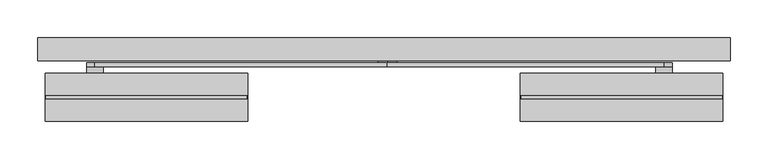
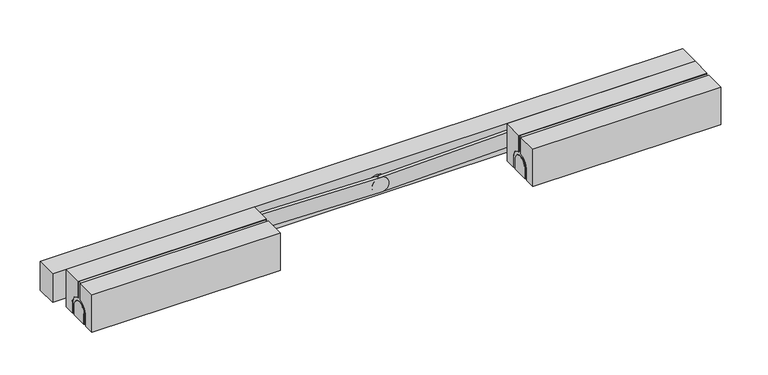
"""IFC4 building model written with IfcOpenShell, lengths in millimetres: proxy geometry."""

from ifc_helpers import new_model, si_unit, point, frame, frame_2d, origin, origin_with_axes, place, context, project, spatial, polyline, circle_curve, trimmed, segment, composite_curve, outline, extrude, source, transform, mapped, element, save
from ifc_brep_helpers import plane_surface, cylinder_surface, revolved_surface, advanced_brep


def generic_models_ac12930d(model_context):
    return source(origin(), model_context, "Body", "SolidModel", [
        advanced_brep(
        [(-182.5, -46.0, 56.0), (-182.5, -51.0, 56.0), (-182.5, -51.0, 31.8151717), (-182.5, -65.5, 15.0), (-182.5, -65.5, 0.0), (-182.5, -60.5, 0.0), (-182.5, -60.5, 15.0), (-182.5, -36.5, 15.0), (-182.5, -36.5, 0.0), (-182.5, -31.5, 0.0), (-182.5, -31.5, 15.0), (-182.5, -46.0, 31.8151717), (-450.5, -51.0, 56.0), (-450.5, -46.0, 56.0), (-450.5, -46.0, 31.8151717), (-450.5, -31.5, 15.0), (-450.5, -31.5, 0.0), (-450.5, -36.5, 0.0), (-450.5, -36.5, 15.0), (-450.5, -60.5, 15.0), (-450.5, -60.5, 0.0), (-450.5, -65.5, 0.0), (-450.5, -65.5, 15.0), (-450.5, -51.0, 31.8151717), (-181.5, -46.0, 57.0), (-181.5, -16.5, 57.0), (-451.5, -16.5, 57.0), (-451.5, -46.0, 57.0), (-181.5, -46.0, 31.8151717), (-451.5, -46.0, 31.8151717), (-181.5, -16.5, 0.0), (-181.5, -31.5, 0.0), (-181.5, -36.5, 0.0), (-181.5, -60.5, 0.0), (-181.5, -65.5, 0.0), (-181.5, -80.5, 0.0), (-451.5, -80.5, 0.0), (-451.5, -65.5, 0.0), (-451.5, -60.5, 0.0), (-451.5, -36.5, 0.0), (-451.5, -31.5, 0.0), (-451.5, -16.5, 0.0), (-181.5, -80.5, 57.0), (-181.5, -51.0, 57.0), (-451.5, -51.0, 57.0), (-451.5, -80.5, 57.0), (-451.5, -51.0, 31.8151717), (-181.5, -51.0, 31.8151717), (-181.5, -31.5, 15.0), (-181.5, -65.5, 15.0), (-181.5, -36.5, 15.0), (-181.5, -60.5, 15.0), (-451.5, -31.5, 15.0), (-451.5, -60.5, 15.0), (-451.5, -36.5, 15.0), (-451.5, -65.5, 15.0)],
        [
            (0, 1),
            (1, 2),
            (2, 3, circle_curve(frame((-182.5, -48.5, 15.0), z_axis=(1.0, 0.0, 0.0), x_axis=(0.0, 1.0, 0.0)), 17.0)),
            (3, 4),
            (4, 5),
            (5, 6),
            (6, 7, circle_curve(frame((-182.5, -48.5, 15.0), z_axis=(-1.0, 0.0, 0.0), x_axis=(0.0, 1.0, 0.0)), 12.0)),
            (7, 8),
            (8, 9),
            (9, 10),
            (10, 11, circle_curve(frame((-182.5, -48.5, 15.0), z_axis=(1.0, 0.0, 0.0), x_axis=(0.0, 1.0, 0.0)), 17.0)),
            (11, 0),
            (12, 13),
            (13, 14),
            (14, 15, circle_curve(frame((-450.5, -48.5, 15.0), z_axis=(-1.0, 0.0, 0.0), x_axis=(0.0, 1.0, 0.0)), 17.0)),
            (15, 16),
            (16, 17),
            (17, 18),
            (18, 19, circle_curve(frame((-450.5, -48.5, 15.0), z_axis=(1.0, 0.0, 0.0), x_axis=(0.0, 1.0, 0.0)), 12.0)),
            (19, 20),
            (20, 21),
            (21, 22),
            (22, 23, circle_curve(frame((-450.5, -48.5, 15.0), z_axis=(-1.0, 0.0, 0.0), x_axis=(0.0, 1.0, 0.0)), 17.0)),
            (23, 12),
            (24, 25),
            (25, 26),
            (26, 27),
            (27, 24),
            (13, 0),
            (11, 28),
            (28, 24),
            (27, 29),
            (29, 14),
            (30, 31),
            (31, 9),
            (8, 32),
            (32, 33),
            (33, 5),
            (4, 34),
            (34, 35),
            (35, 36),
            (36, 37),
            (37, 21),
            (20, 38),
            (38, 39),
            (39, 17),
            (16, 40),
            (40, 41),
            (41, 30),
            (25, 30),
            (41, 26),
            (42, 43),
            (43, 44),
            (44, 45),
            (45, 42),
            (35, 42),
            (45, 36),
            (1, 12),
            (23, 46),
            (46, 44),
            (43, 47),
            (47, 2),
            (28, 48, circle_curve(frame((-181.5, -48.5, 15.0), z_axis=(-1.0, 0.0, 0.0), x_axis=(0.0, 1.0, 0.0)), 17.0)),
            (48, 31),
            (34, 49),
            (49, 47, circle_curve(frame((-181.5, -48.5, 15.0), z_axis=(-1.0, 0.0, 0.0), x_axis=(0.0, 1.0, 0.0)), 17.0)),
            (32, 50),
            (50, 51, circle_curve(frame((-181.5, -48.5, 15.0), z_axis=(1.0, 0.0, 0.0), x_axis=(0.0, 1.0, 0.0)), 12.0)),
            (51, 33),
            (10, 48),
            (3, 49),
            (7, 50),
            (6, 51),
            (40, 52),
            (52, 29, circle_curve(frame((-451.5, -48.5, 15.0), z_axis=(1.0, 0.0, 0.0), x_axis=(0.0, 1.0, 0.0)), 17.0)),
            (38, 53),
            (53, 54, circle_curve(frame((-451.5, -48.5, 15.0), z_axis=(-1.0, 0.0, 0.0), x_axis=(0.0, 1.0, 0.0)), 12.0)),
            (54, 39),
            (46, 55, circle_curve(frame((-451.5, -48.5, 15.0), z_axis=(1.0, 0.0, 0.0), x_axis=(0.0, 1.0, 0.0)), 17.0)),
            (55, 37),
            (52, 15),
            (55, 22),
            (54, 18),
            (53, 19),
        ],
        [
            plane_surface(frame((-182.5, -46.0, 57.0), z_axis=(1.0, 0.0, 0.0), x_axis=(0.0, -1.0, 0.0))),
            plane_surface(frame((-450.5, -46.0, 57.0), z_axis=(-1.0, 0.0, 0.0), x_axis=(0.0, 1.0, 0.0))),
            plane_surface(frame((-182.5, -16.5, 57.0), z_axis=(0.0, 0.0, 1.0), x_axis=(-1.0, 0.0, 0.0))),
            plane_surface(frame((-182.5, -46.0, 57.0), z_axis=(0.0, -1.0, 0.0), x_axis=(-1.0, 0.0, 0.0))),
            plane_surface(frame((-182.5, -80.5, 0.0), z_axis=(0.0, 0.0, -1.0), x_axis=(-1.0, 0.0, 0.0))),
            plane_surface(frame((-182.5, -16.5, 0.0), z_axis=(0.0, 1.0, 0.0), x_axis=(-1.0, 0.0, 0.0))),
            plane_surface(frame((-182.5, -51.0, 57.0), z_axis=(0.0, 0.0, 1.0), x_axis=(-1.0, 0.0, 0.0))),
            plane_surface(frame((-182.5, -80.5, 57.0), z_axis=(0.0, -1.0, 0.0), x_axis=(-1.0, 0.0, 0.0))),
            plane_surface(frame((-182.5, -51.0, 56.0), z_axis=(0.0, 1.0, 0.0), x_axis=(-1.0, 0.0, 0.0))),
            plane_surface(frame((-182.5, -46.0, 56.0), z_axis=(0.0, 0.0, 1.0), x_axis=(-1.0, 0.0, 0.0))),
            plane_surface(frame((-181.5, -16.5, 57.0), z_axis=(1.0, 0.0, 0.0), x_axis=(0.0, -1.0, 0.0))),
            revolved_surface(polyline([(-181.5, -31.5, 15.0), (-182.5, -31.5, 15.0)]), (-181.5, -48.5, 15.0), (1.0, 0.0, 0.0)),
            plane_surface(frame((-182.5, -31.5, 0.0), z_axis=(0.0, -1.0, 0.0), x_axis=(1.0, 0.0, 0.0))),
            plane_surface(frame((-182.5, -65.5, 15.0), z_axis=(0.0, 1.0, 0.0), x_axis=(1.0, 0.0, 0.0))),
            revolved_surface(polyline([(-181.5, -31.5, 15.0), (-182.5, -31.5, 15.0)]), (500.0, -48.5, 15.0), (1.0, 0.0, 0.0)),
            plane_surface(frame((-182.5, -36.5, 15.0), z_axis=(0.0, 1.0, 0.0), x_axis=(1.0, 0.0, 0.0))),
            cylinder_surface(frame((500.0, -48.5, 15.0), z_axis=(-1.0, 0.0, 0.0), x_axis=(0.0, 1.0, 0.0)), 12.0),
            plane_surface(frame((-182.5, -60.5, 0.0), z_axis=(0.0, -1.0, 0.0), x_axis=(1.0, 0.0, 0.0))),
            plane_surface(frame((-451.5, -16.5, 57.0), z_axis=(-1.0, 0.0, 0.0), x_axis=(0.0, 1.0, 0.0))),
            revolved_surface(polyline([(-450.5, -31.5, 15.0), (-451.5, -31.5, 15.0)]), (-450.5, -48.5, 15.0), (1.0, 0.0, 0.0)),
            plane_surface(frame((-451.5, -31.5, 0.0), z_axis=(0.0, -1.0, 0.0), x_axis=(1.0, 0.0, 0.0))),
            plane_surface(frame((-451.5, -65.5, 15.0), z_axis=(0.0, 1.0, 0.0), x_axis=(1.0, 0.0, 0.0))),
            revolved_surface(polyline([(-450.5, -31.5, 15.0), (-451.5, -31.5, 15.0)]), (0.0, -48.5, 15.0), (1.0, 0.0, 0.0)),
            plane_surface(frame((-451.5, -36.5, 15.0), z_axis=(0.0, 1.0, 0.0), x_axis=(1.0, 0.0, 0.0))),
            cylinder_surface(frame((0.0, -48.5, 15.0), z_axis=(-1.0, 0.0, 0.0), x_axis=(0.0, 1.0, 0.0)), 12.0),
            plane_surface(frame((-451.5, -60.5, 0.0), z_axis=(0.0, -1.0, 0.0), x_axis=(1.0, 0.0, 0.0))),
        ],
        [
            (0, [[1, 2, 3, 4, 5, 6, 7, 8, 9, 10, 11, 12]]),
            (1, [[13, 14, 15, 16, 17, 18, 19, 20, 21, 22, 23, 24]]),
            (2, [[25, 26, 27, 28]]),
            (3, [[29, -12, 30, 31, -28, 32, 33, -14]]),
            (4, [[34, 35, -9, 36, 37, 38, -5, 39, 40, 41, 42, 43, -21, 44, 45, 46, -17, 47, 48, 49]]),
            (5, [[-26, 50, -49, 51]]),
            (6, [[52, 53, 54, 55]]),
            (7, [[-41, 56, -55, 57]]),
            (8, [[58, -24, 59, 60, -53, 61, 62, -2]]),
            (9, [[-1, -29, -13, -58]]),
            (10, [[-31, 63, 64, -34, -50, -25]]),
            (10, [[-52, -56, -40, 65, 66, -61]]),
            (10, [[67, 68, 69, -37]]),
            (11, [[-63, -30, -11, 70]]),
            (12, [[-64, -70, -10, -35]]),
            (13, [[-65, -39, -4, 71]]),
            (14, [[-66, -71, -3, -62]]),
            (15, [[-67, -36, -8, 72]]),
            (16, [[-68, -72, -7, 73]]),
            (17, [[-69, -73, -6, -38]]),
            (18, [[-27, -51, -48, 74, 75, -32]]),
            (18, [[-45, 76, 77, 78]]),
            (18, [[-60, 79, 80, -42, -57, -54]]),
            (19, [[-75, 81, -15, -33]]),
            (20, [[-74, -47, -16, -81]]),
            (21, [[-80, 82, -22, -43]]),
            (22, [[-79, -59, -23, -82]]),
            (23, [[-78, 83, -18, -46]]),
            (24, [[-77, 84, -19, -83]]),
            (25, [[-76, -44, -20, -84]]),
        ],
    ),
        advanced_brep(
        [(182.5, -51.0, 56.0), (182.5, -46.0, 56.0), (182.5, -46.0, 31.8151717), (182.5, -31.5, 15.0), (182.5, -31.5, 0.0), (182.5, -36.5, 0.0), (182.5, -36.5, 15.0), (182.5, -60.5, 15.0), (182.5, -60.5, 0.0), (182.5, -65.5, 0.0), (182.5, -65.5, 15.0), (182.5, -51.0, 31.8151717), (450.5, -46.0, 56.0), (450.5, -51.0, 56.0), (450.5, -51.0, 31.8151717), (450.5, -65.5, 15.0), (450.5, -65.5, 0.0), (450.5, -60.5, 0.0), (450.5, -60.5, 15.0), (450.5, -36.5, 15.0), (450.5, -36.5, 0.0), (450.5, -31.5, 0.0), (450.5, -31.5, 15.0), (450.5, -46.0, 31.8151717), (451.5, -46.0, 57.0), (451.5, -16.5, 57.0), (181.5, -16.5, 57.0), (181.5, -46.0, 57.0), (451.5, -46.0, 31.8151717), (181.5, -46.0, 31.8151717), (451.5, -16.5, 0.0), (451.5, -31.5, 0.0), (451.5, -36.5, 0.0), (451.5, -60.5, 0.0), (451.5, -65.5, 0.0), (451.5, -80.5, 0.0), (181.5, -80.5, 0.0), (181.5, -65.5, 0.0), (181.5, -60.5, 0.0), (181.5, -36.5, 0.0), (181.5, -31.5, 0.0), (181.5, -16.5, 0.0), (451.5, -80.5, 57.0), (451.5, -51.0, 57.0), (181.5, -51.0, 57.0), (181.5, -80.5, 57.0), (181.5, -51.0, 31.8151717), (451.5, -51.0, 31.8151717), (451.5, -31.5, 15.0), (451.5, -65.5, 15.0), (451.5, -36.5, 15.0), (451.5, -60.5, 15.0), (181.5, -31.5, 15.0), (181.5, -60.5, 15.0), (181.5, -36.5, 15.0), (181.5, -65.5, 15.0)],
        [
            (0, 1),
            (1, 2),
            (2, 3, circle_curve(frame((182.5, -48.5, 15.0), z_axis=(-1.0, 0.0, 0.0), x_axis=(0.0, 1.0, 0.0)), 17.0)),
            (3, 4),
            (4, 5),
            (5, 6),
            (6, 7, circle_curve(frame((182.5, -48.5, 15.0), z_axis=(1.0, 0.0, 0.0), x_axis=(0.0, 1.0, 0.0)), 12.0)),
            (7, 8),
            (8, 9),
            (9, 10),
            (10, 11, circle_curve(frame((182.5, -48.5, 15.0), z_axis=(-1.0, 0.0, 0.0), x_axis=(0.0, 1.0, 0.0)), 17.0)),
            (11, 0),
            (12, 13),
            (13, 14),
            (14, 15, circle_curve(frame((450.5, -48.5, 15.0), z_axis=(1.0, 0.0, 0.0), x_axis=(0.0, 1.0, 0.0)), 17.0)),
            (15, 16),
            (16, 17),
            (17, 18),
            (18, 19, circle_curve(frame((450.5, -48.5, 15.0), z_axis=(-1.0, 0.0, 0.0), x_axis=(0.0, 1.0, 0.0)), 12.0)),
            (19, 20),
            (20, 21),
            (21, 22),
            (22, 23, circle_curve(frame((450.5, -48.5, 15.0), z_axis=(1.0, 0.0, 0.0), x_axis=(0.0, 1.0, 0.0)), 17.0)),
            (23, 12),
            (24, 25),
            (25, 26),
            (26, 27),
            (27, 24),
            (1, 12),
            (23, 28),
            (28, 24),
            (27, 29),
            (29, 2),
            (30, 31),
            (31, 21),
            (20, 32),
            (32, 33),
            (33, 17),
            (16, 34),
            (34, 35),
            (35, 36),
            (36, 37),
            (37, 9),
            (8, 38),
            (38, 39),
            (39, 5),
            (4, 40),
            (40, 41),
            (41, 30),
            (25, 30),
            (41, 26),
            (42, 43),
            (43, 44),
            (44, 45),
            (45, 42),
            (35, 42),
            (45, 36),
            (13, 0),
            (11, 46),
            (46, 44),
            (43, 47),
            (47, 14),
            (28, 48, circle_curve(frame((451.5, -48.5, 15.0), z_axis=(-1.0, 0.0, 0.0), x_axis=(0.0, 1.0, 0.0)), 17.0)),
            (48, 31),
            (34, 49),
            (49, 47, circle_curve(frame((451.5, -48.5, 15.0), z_axis=(-1.0, 0.0, 0.0), x_axis=(0.0, 1.0, 0.0)), 17.0)),
            (32, 50),
            (50, 51, circle_curve(frame((451.5, -48.5, 15.0), z_axis=(1.0, 0.0, 0.0), x_axis=(0.0, 1.0, 0.0)), 12.0)),
            (51, 33),
            (22, 48),
            (15, 49),
            (19, 50),
            (18, 51),
            (40, 52),
            (52, 29, circle_curve(frame((181.5, -48.5, 15.0), z_axis=(1.0, 0.0, 0.0), x_axis=(0.0, 1.0, 0.0)), 17.0)),
            (38, 53),
            (53, 54, circle_curve(frame((181.5, -48.5, 15.0), z_axis=(-1.0, 0.0, 0.0), x_axis=(0.0, 1.0, 0.0)), 12.0)),
            (54, 39),
            (46, 55, circle_curve(frame((181.5, -48.5, 15.0), z_axis=(1.0, 0.0, 0.0), x_axis=(0.0, 1.0, 0.0)), 17.0)),
            (55, 37),
            (52, 3),
            (55, 10),
            (54, 6),
            (53, 7),
        ],
        [
            plane_surface(frame((182.5, -16.5, 57.0), z_axis=(-1.0, 0.0, 0.0), x_axis=(0.0, 0.0, -1.0))),
            plane_surface(frame((450.5, -16.5, 57.0), z_axis=(1.0, 0.0, 0.0), x_axis=(0.0, 0.0, 1.0))),
            plane_surface(frame((182.5, -46.0, 57.0), z_axis=(0.0, 0.0, 1.0), x_axis=(1.0, 0.0, 0.0))),
            plane_surface(frame((182.5, -46.0, 56.0), z_axis=(0.0, -1.0, 0.0), x_axis=(1.0, 0.0, 0.0))),
            plane_surface(frame((182.5, -16.5, 0.0), z_axis=(0.0, 0.0, -1.0), x_axis=(1.0, 0.0, 0.0))),
            plane_surface(frame((182.5, -16.5, 57.0), z_axis=(0.0, 1.0, 0.0), x_axis=(1.0, 0.0, 0.0))),
            plane_surface(frame((182.5, -80.5, 57.0), z_axis=(0.0, 0.0, 1.0), x_axis=(1.0, 0.0, 0.0))),
            plane_surface(frame((182.5, -80.5, 0.0), z_axis=(0.0, -1.0, 0.0), x_axis=(1.0, 0.0, 0.0))),
            plane_surface(frame((182.5, -51.0, 57.0), z_axis=(0.0, 1.0, 0.0), x_axis=(1.0, 0.0, 0.0))),
            plane_surface(frame((182.5, -51.0, 56.0), z_axis=(0.0, 0.0, 1.0), x_axis=(1.0, 0.0, 0.0))),
            plane_surface(frame((451.5, -46.0, 57.0), z_axis=(1.0, 0.0, 0.0), x_axis=(0.0, 0.0, -1.0))),
            revolved_surface(polyline([(450.5, -31.5, 15.0), (451.5, -31.5, 15.0)]), (450.5, -48.5, 15.0), (-1.0, 0.0, 0.0)),
            plane_surface(frame((451.5, -31.5, 15.0), z_axis=(0.0, -1.0, 0.0), x_axis=(-1.0, 0.0, 0.0))),
            plane_surface(frame((451.5, -65.5, 0.0), z_axis=(0.0, 1.0, 0.0), x_axis=(-1.0, 0.0, 0.0))),
            revolved_surface(polyline([(450.5, -31.5, 15.0), (451.5, -31.5, 15.0)]), (0.0, -48.5, 15.0), (-1.0, 0.0, 0.0)),
            plane_surface(frame((451.5, -36.5, 0.0), z_axis=(0.0, 1.0, 0.0), x_axis=(-1.0, 0.0, 0.0))),
            cylinder_surface(frame((0.0, -48.5, 15.0), z_axis=(1.0, 0.0, 0.0), x_axis=(0.0, 1.0, 0.0)), 12.0),
            plane_surface(frame((451.5, -60.5, 15.0), z_axis=(0.0, -1.0, 0.0), x_axis=(-1.0, 0.0, 0.0))),
            plane_surface(frame((181.5, -46.0, 57.0), z_axis=(-1.0, 0.0, 0.0), x_axis=(0.0, 0.0, 1.0))),
            revolved_surface(polyline([(181.5, -31.5, 15.0), (182.5, -31.5, 15.0)]), (181.5, -48.5, 15.0), (-1.0, 0.0, 0.0)),
            plane_surface(frame((182.5, -31.5, 15.0), z_axis=(0.0, -1.0, 0.0), x_axis=(-1.0, 0.0, 0.0))),
            plane_surface(frame((182.5, -65.5, 0.0), z_axis=(0.0, 1.0, 0.0), x_axis=(-1.0, 0.0, 0.0))),
            revolved_surface(polyline([(181.5, -31.5, 15.0), (182.5, -31.5, 15.0)]), (-500.0, -48.5, 15.0), (-1.0, 0.0, 0.0)),
            plane_surface(frame((182.5, -36.5, 0.0), z_axis=(0.0, 1.0, 0.0), x_axis=(-1.0, 0.0, 0.0))),
            cylinder_surface(frame((-500.0, -48.5, 15.0), z_axis=(1.0, 0.0, 0.0), x_axis=(0.0, 1.0, 0.0)), 12.0),
            plane_surface(frame((182.5, -60.5, 15.0), z_axis=(0.0, -1.0, 0.0), x_axis=(-1.0, 0.0, 0.0))),
        ],
        [
            (0, [[1, 2, 3, 4, 5, 6, 7, 8, 9, 10, 11, 12]]),
            (1, [[13, 14, 15, 16, 17, 18, 19, 20, 21, 22, 23, 24]]),
            (2, [[25, 26, 27, 28]]),
            (3, [[29, -24, 30, 31, -28, 32, 33, -2]]),
            (4, [[34, 35, -21, 36, 37, 38, -17, 39, 40, 41, 42, 43, -9, 44, 45, 46, -5, 47, 48, 49]]),
            (5, [[-26, 50, -49, 51]]),
            (6, [[52, 53, 54, 55]]),
            (7, [[-41, 56, -55, 57]]),
            (8, [[58, -12, 59, 60, -53, 61, 62, -14]]),
            (9, [[-1, -58, -13, -29]]),
            (10, [[-31, 63, 64, -34, -50, -25]]),
            (10, [[-52, -56, -40, 65, 66, -61]]),
            (10, [[67, 68, 69, -37]]),
            (11, [[-63, -30, -23, 70]]),
            (12, [[-64, -70, -22, -35]]),
            (13, [[-65, -39, -16, 71]]),
            (14, [[-66, -71, -15, -62]]),
            (15, [[-67, -36, -20, 72]]),
            (16, [[-68, -72, -19, 73]]),
            (17, [[-69, -73, -18, -38]]),
            (18, [[-27, -51, -48, 74, 75, -32]]),
            (18, [[-45, 76, 77, 78]]),
            (18, [[-60, 79, 80, -42, -57, -54]]),
            (19, [[-75, 81, -3, -33]]),
            (20, [[-74, -47, -4, -81]]),
            (21, [[-80, 82, -10, -43]]),
            (22, [[-79, -59, -11, -82]]),
            (23, [[-78, 83, -6, -46]]),
            (24, [[-77, 84, -7, -83]]),
            (25, [[-76, -44, -8, -84]]),
        ],
    ),
        extrude(outline(composite_curve([segment(trimmed(circle_curve(frame_2d((20.1425372, 5.8648756)), 11.0), [point((20.1425372, -5.1351244))], [point((20.1425372, 16.8648756))], False, "CARTESIAN"), True, "CONTINUOUS"), segment(trimmed(circle_curve(frame_2d((20.1425372, 5.8648756)), 11.0), [point((20.1425372, 16.8648756))], [point((20.1425372, -5.1351244))], False, "CARTESIAN"), True, "CONTINUOUS")], self_intersect=False)), frame((0.0, -2.85, 0.0), z_axis=(0.0, 1.0, 0.0), x_axis=(0.0, 0.0, 1.0)), (0.0, 0.0, 1.0), 2.85),
        extrude(outline(composite_curve([segment(trimmed(circle_curve(frame_2d((29.7, -385.2686159)), 11.0), [point((40.6967198, -385.0))], [point((18.7032802, -385.5372317))], False, "CARTESIAN"), True, "CONTINUOUS"), segment(polyline([(18.7032802, -385.5372317), (9.148803, 5.608366)]), True, "CONTINUOUS"), segment(trimmed(circle_curve(frame_2d((20.1455227, 5.8769819)), 11.0), [point((9.148803, 5.608366))], [point((31.1422425, 6.1455977))], False, "CARTESIAN"), True, "CONTINUOUS"), segment(polyline([(31.1422425, 6.1455977), (40.6967198, -385.0)]), True, "CONTINUOUS")], self_intersect=False)), frame((0.0, -7.85, 0.0), z_axis=(0.0, 1.0, 0.0), x_axis=(0.0, 0.0, 1.0)), (0.0, 0.0, 1.0), 5.0),
        extrude(outline(composite_curve([segment(trimmed(circle_curve(frame_2d((29.7, -385.2686159)), 11.0), [point((29.7, -396.2686159))], [point((29.7, -374.2686159))], False, "CARTESIAN"), True, "CONTINUOUS"), segment(trimmed(circle_curve(frame_2d((29.7, -385.2686159)), 11.0), [point((29.7, -374.2686159))], [point((29.7, -396.2686159))], False, "CARTESIAN"), True, "CONTINUOUS")], self_intersect=False)), frame((0.0, -16.5, 0.0), z_axis=(0.0, 1.0, 0.0), x_axis=(0.0, 0.0, 1.0)), (0.0, 0.0, 1.0), 8.65),
        extrude(outline(composite_curve([segment(trimmed(circle_curve(frame_2d((20.6615384, 3.1136155)), 11.0), [point((20.6615384, 14.1136155))], [point((20.6615384, -7.8863845))], False, "CARTESIAN"), True, "CONTINUOUS"), segment(trimmed(circle_curve(frame_2d((20.6615384, 3.1136155)), 11.0), [point((20.6615384, -7.8863845))], [point((20.6615384, 14.1136155))], False, "CARTESIAN"), True, "CONTINUOUS")], self_intersect=False)), frame((0.0, -2.85, 0.0), z_axis=(0.0, 1.0, 0.0), x_axis=(0.0, 0.0, 1.0)), (0.0, 0.0, 1.0), 2.85),
        extrude(outline(polyline([(-461.5, 0.0), (-461.5, 31.0), (461.5, 31.0), (461.5, 0.0), (-461.5, 0.0)])), origin_with_axes(), (0.0, 0.0, 1.0), 43.6647394),
        extrude(outline(composite_curve([segment(polyline([(40.6967198, 372.7313841), (31.6614592, 2.8417194)]), True, "CONTINUOUS"), segment(trimmed(circle_curve(frame_2d((20.6647394, 3.1103353)), 11.0), [point((31.6614592, 2.8417194))], [point((9.6680197, 3.3789511))], False, "CARTESIAN"), True, "CONTINUOUS"), segment(polyline([(9.6680197, 3.3789511), (18.7032802, 373.2686159)]), True, "CONTINUOUS"), segment(trimmed(circle_curve(frame_2d((29.7, 373.0)), 11.0), [point((18.7032802, 373.2686159))], [point((40.6967198, 372.7313841))], False, "CARTESIAN"), True, "CONTINUOUS")], self_intersect=False)), frame((0.0, -7.85, 0.0), z_axis=(0.0, 1.0, 0.0), x_axis=(0.0, 0.0, 1.0)), (0.0, 0.0, 1.0), 5.0),
        extrude(outline(composite_curve([segment(trimmed(circle_curve(frame_2d((29.7, 373.0)), 11.0), [point((29.7, 384.0))], [point((29.7, 362.0))], False, "CARTESIAN"), True, "CONTINUOUS"), segment(trimmed(circle_curve(frame_2d((29.7, 373.0)), 11.0), [point((29.7, 362.0))], [point((29.7, 384.0))], False, "CARTESIAN"), True, "CONTINUOUS")], self_intersect=False)), frame((0.0, -16.5, 0.0), z_axis=(0.0, 1.0, 0.0), x_axis=(0.0, 0.0, 1.0)), (0.0, 0.0, 1.0), 8.65),
    ])


if __name__ == "__main__":
    model = new_model("IFC4")
    model_context = context("Model", 3, world=origin())
    ifc_project = project(units=[si_unit("LENGTHUNIT", "METRE", prefix="MILLI")], contexts=[model_context])
    site = spatial("IfcSite", under=ifc_project)
    building = spatial("IfcBuilding", under=site)
    placement = place(None, origin())
    generic_models_shape = generic_models_ac12930d(model_context)
    element("IfcBuildingElementProxy", 1, Name="Generic Models", at=placement, inside=building, context=model_context, shape_type="MappedRepresentation", body=[
        mapped(generic_models_shape, transform((0.0, 0.0, 0.0), x_axis=(1.0, 0.0, 0.0), y_axis=(0.0, 1.0, 0.0), z_axis=(0.0, 0.0, 1.0))),
    ])
    save(model, "model.ifc")
